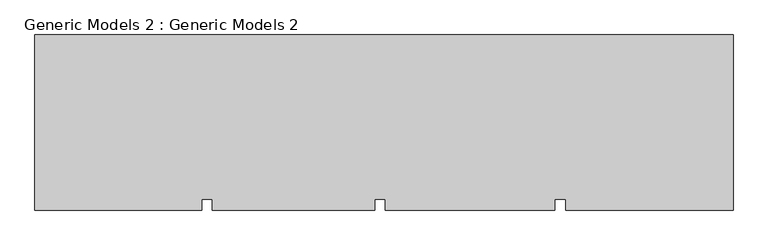
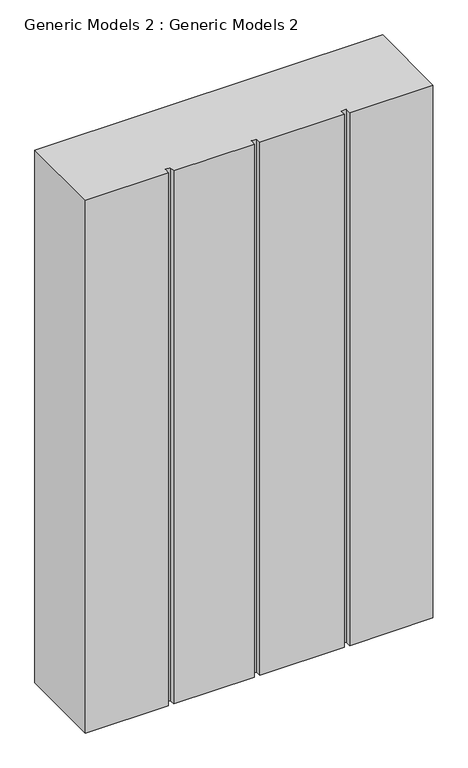
"""IFC4 building model written with IfcOpenShell, lengths in millimetres: proxy geometry, Generic Models 2 : Generic Models 2."""

from ifc_helpers import new_model, si_unit, frame, origin, place, context, project, spatial, polyline, outline, extrude, source, transform, mapped, element, save


def generic_models_2_generic_models_2_9c4b56c6(model_context):
    return source(origin(), model_context, "Body", "SweptSolid", [
        extrude(outline(polyline([(2231.7164352, -19881.5060032), (2231.7164352, -20368.5482183), (1767.3070227, -20368.5482183), (1767.3070227, -20336.9057177), (1737.2735899, -20336.9057177), (1737.2735899, -20368.5482183), (1267.3070227, -20368.5482183), (1267.3070227, -20336.9057177), (1237.2735899, -20336.9057177), (1237.2735899, -20368.5482183), (787.3070227, -20368.5482183), (787.3070227, -20336.9057177), (757.2735899, -20336.9057177), (757.2735899, -20368.5482183), (295.0243952, -20368.5482183), (295.0243952, -19881.5060032), (2231.7164352, -19881.5060032)])), frame((0.0, 0.0, 2905.5257027), z_axis=(0.0, 0.0, 1.0), x_axis=(1.0, 0.0, 0.0)), (0.0, 0.0, 1.0), 3139.1810234),
    ])


if __name__ == "__main__":
    model = new_model("IFC4")
    model_context = context("Model", 3, world=origin())
    ifc_project = project(units=[si_unit("LENGTHUNIT", "METRE", prefix="MILLI")], contexts=[model_context])
    site = spatial("IfcSite", under=ifc_project)
    building = spatial("IfcBuilding", under=site)
    placement = place(None, origin())
    generic_models_2_generic_models_2_shape = generic_models_2_generic_models_2_9c4b56c6(model_context)
    element("IfcBuildingElementProxy", 1, Name="Generic Models 2 : Generic Models 2", ObjectType="Generic Models 2 : Generic Models 2", at=placement, inside=building, context=model_context, shape_type="MappedRepresentation", body=[
        mapped(generic_models_2_generic_models_2_shape, transform((0.0, 0.0, 0.0), x_axis=(1.0, 0.0, 0.0), y_axis=(0.0, 1.0, 0.0), z_axis=(0.0, 0.0, 1.0))),
    ])
    save(model, "model.ifc")
